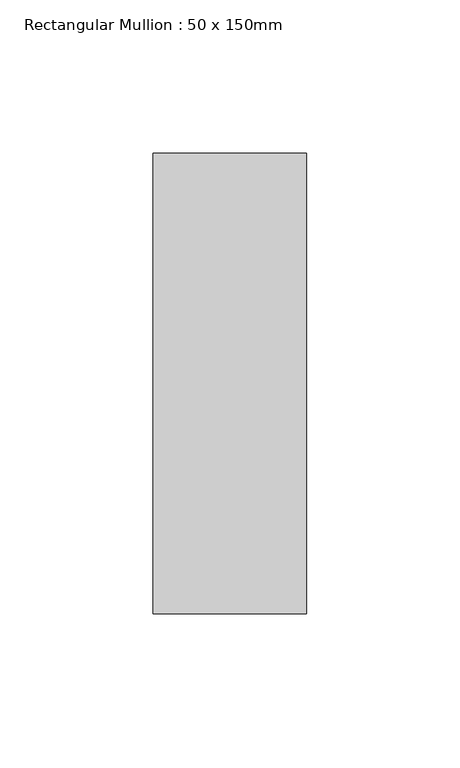
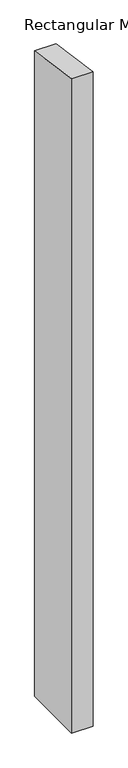
"""IFC4 building model written with IfcOpenShell, lengths in millimetres: member geometry, Rectangular Mullion : 50 x 150mm."""

from ifc_helpers import new_model, si_unit, frame, origin, place, context, project, spatial, polyline, outline, extrude, source, transform, mapped, element, save


def rectangular_mullion_50_x_150mm_e4f76050(model_context):
    return source(origin(), model_context, "Body", "SweptSolid", [
        extrude(outline(polyline([(-75.0, 11.0979209), (75.0, -11.0979209), (75.0, -1613.1256974), (-75.0, -1613.1256974), (-75.0, 11.0979209)])), frame((-50.0, 0.0, 0.0), z_axis=(1.0, 0.0, 0.0), x_axis=(0.0, 1.0, 0.0)), (0.0, 0.0, 1.0), 50.0),
    ])


if __name__ == "__main__":
    model = new_model("IFC4")
    model_context = context("Model", 3, world=origin())
    ifc_project = project(units=[si_unit("LENGTHUNIT", "METRE", prefix="MILLI")], contexts=[model_context])
    site = spatial("IfcSite", under=ifc_project)
    building = spatial("IfcBuilding", under=site)
    placement = place(None, origin())
    rectangular_mullion_50_x_150mm_shape = rectangular_mullion_50_x_150mm_e4f76050(model_context)
    element("IfcMember", 1, ObjectType="Rectangular Mullion : 50 x 150mm", at=placement, inside=building, context=model_context, shape_type="MappedRepresentation", body=[
        mapped(rectangular_mullion_50_x_150mm_shape, transform((0.0, 0.0, 0.0), x_axis=(1.0, 0.0, 0.0), y_axis=(0.0, 1.0, 0.0), z_axis=(0.0, 0.0, 1.0))),
    ])
    save(model, "model.ifc")
